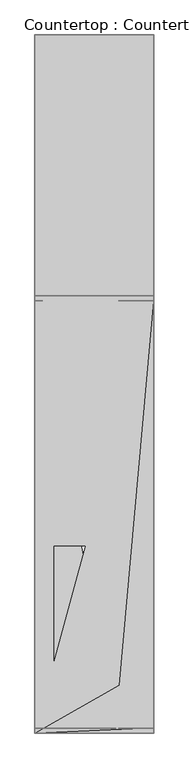
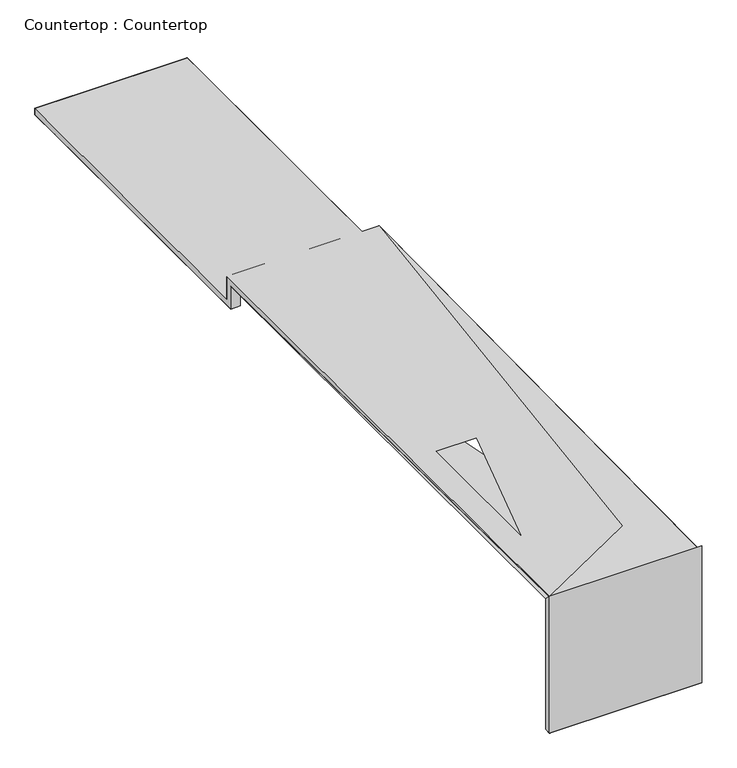
"""IFC4 building model written with IfcOpenShell, lengths in millimetres: furniture geometry, Countertop : Countertop."""

from ifc_helpers import new_model, si_unit, origin, place, context, project, spatial, triangles, source, transform, mapped, element, save


def countertop_countertop_d3c20355(model_context):
    return source(origin(), model_context, "Body", "Tessellation", [
        triangles([(3062.2485489, 6900.4299683, 731.6549772), (3354.8487122, 4956.7305862, 731.6549772), (3062.2485489, 4956.7305862, 731.6549772), (3354.8487122, 7140.7798325, 731.6549772), (2372.5486416, 7140.7798325, 731.6549772), (2435.2485935, 7140.7798325, 731.6549772), (2435.2485935, 6921.3304367, 731.6549772)], [[1, 2, 3], [4, 2, 1], [5, 6, 7]], closed=False),
        triangles([(2372.5486416, 1402.3277756, 930.2050673), (3354.8487122, 1402.3277756, 0.1550187), (3354.8487122, 1402.3277756, 930.2050673), (3354.8487122, 7140.7798325, 773.4549694), (3354.8487122, 4956.7305862, 731.6549772), (3354.8487122, 7140.7798325, 731.6549772), (3354.8487122, 4998.5297791, 773.4549694), (3354.8487122, 4956.7305862, 888.4050024), (3354.8487122, 4998.5297791, 888.4050024), (3062.2485489, 1444.1287125, 0.1550187), (3354.8487122, 1444.1287125, 888.4050024), (3354.8487122, 1444.1287125, 0.1550187), (3062.2485489, 1444.1287125, 888.4050024), (3067.5874672, 1795.3646862, 930.2050673), (3354.8487122, 4998.5297791, 930.2050673), (3067.5874672, 2941.9701347, 930.2050673), (2529.4595581, 2941.9701347, 930.2050673), (2372.5486416, 4998.5297791, 930.2050673), (2529.4595581, 1795.3646862, 930.2050673), (3354.8487122, 1445.4370628, 888.4050024), (3062.2485489, 4956.7305862, 888.4050024), (3062.2485489, 6900.4299683, 731.6549772), (3062.2485489, 7140.7798325, 731.6549772), (3062.2485489, 4956.7305862, 731.6549772), (2372.5486416, 4998.5297791, 773.4549694), (2372.5486416, 7140.7798325, 773.4549694), (3041.3486618, 7140.7798325, 731.6549772), (2435.2485935, 7140.7798325, 731.6549772), (2372.5486416, 7140.7798325, 731.6549772), (2435.2485935, 6921.3304367, 731.6549772), (2372.5486416, 6921.3304367, 731.6549772), (2372.5486416, 1444.1287125, 0.1550187), (2372.5486416, 1402.3277756, 0.1550187), (2372.5486416, 1444.1287125, 888.4050024), (2372.5486416, 1404.1907433, 928.3421722), (2372.5486416, 4956.7305862, 888.4050024), (3041.3486618, 1444.1287125, 888.4050024), (2372.5486416, 4998.5297791, 888.4050024), (2372.5486416, 4956.7305862, 731.6549772), (2414.3488518, 1444.1287125, 0.1550187), (2414.3488518, 1957.5806568, 888.4050024), (3041.3486618, 1443.5416843, 888.4050024), (2372.5486416, 1444.7404484, 888.4050024), (2414.3488518, 1978.4801079, 888.4050024), (2435.2485935, 1978.4801079, 888.4050024), (2435.2485935, 3002.5795166, 888.4050024), (2435.2485935, 4956.7305862, 888.4050024), (2435.2485935, 4956.7305862, 731.6549772), (2435.2485935, 5442.6549957, 731.6549772), (2435.2485935, 5928.5799866, 731.6549772), (2435.2485935, 6900.4299683, 731.6549772), (3041.3486618, 6900.4299683, 731.6549772), (3062.2485489, 1445.4370628, 888.4050024)], [[1, 2, 3], [4, 5, 6], [7, 5, 4], [8, 5, 7], [8, 7, 9], [10, 11, 12], [13, 11, 10], [15, 14, 1], [15, 16, 14], [15, 17, 16], [18, 1, 19], [19, 1, 14], [18, 19, 17], [18, 17, 15], [15, 8, 9], [15, 20, 8], [11, 2, 12], [3, 2, 11], [1, 11, 15], [8, 20, 21], [6, 22, 23], [21, 5, 8], [24, 5, 21], [4, 25, 7], [25, 9, 7], [25, 15, 9], [18, 15, 25], [23, 4, 6], [26, 4, 23], [26, 23, 27], [26, 27, 28], [26, 28, 29], [29, 30, 31], [1, 32, 33], [1, 34, 32], [35, 36, 37], [1, 38, 36], [18, 38, 1], [25, 31, 39], [36, 25, 39], [25, 29, 31], [38, 25, 36], [26, 29, 25], [34, 37, 40], [34, 40, 32], [41, 42, 43], [36, 41, 43], [36, 44, 41], [36, 45, 44], [36, 46, 45], [36, 47, 46], [36, 48, 47], [39, 48, 36], [31, 48, 39], [31, 49, 48], [31, 50, 49], [31, 51, 50], [31, 30, 51], [30, 52, 51], [27, 52, 30], [27, 30, 28], [27, 22, 52], [27, 23, 22], [21, 20, 53], [33, 2, 1], [32, 33, 12], [12, 33, 2], [26, 25, 4]], closed=False),
    ])


if __name__ == "__main__":
    model = new_model("IFC4")
    model_context = context("Model", 3, world=origin())
    ifc_project = project(units=[si_unit("LENGTHUNIT", "METRE", prefix="MILLI")], contexts=[model_context])
    site = spatial("IfcSite", under=ifc_project)
    building = spatial("IfcBuilding", under=site)
    placement = place(None, origin())
    countertop_countertop_shape = countertop_countertop_d3c20355(model_context)
    element("IfcFurniture", 1, ObjectType="Countertop : Countertop", at=placement, inside=building, context=model_context, shape_type="MappedRepresentation", body=[
        mapped(countertop_countertop_shape, transform((0.0, 0.0, 0.0), x_axis=(1.0, 0.0, 0.0), y_axis=(0.0, 1.0, 0.0), z_axis=(0.0, 0.0, 1.0))),
    ])
    save(model, "model.ifc")
